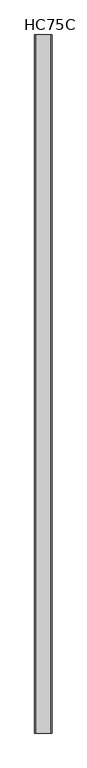
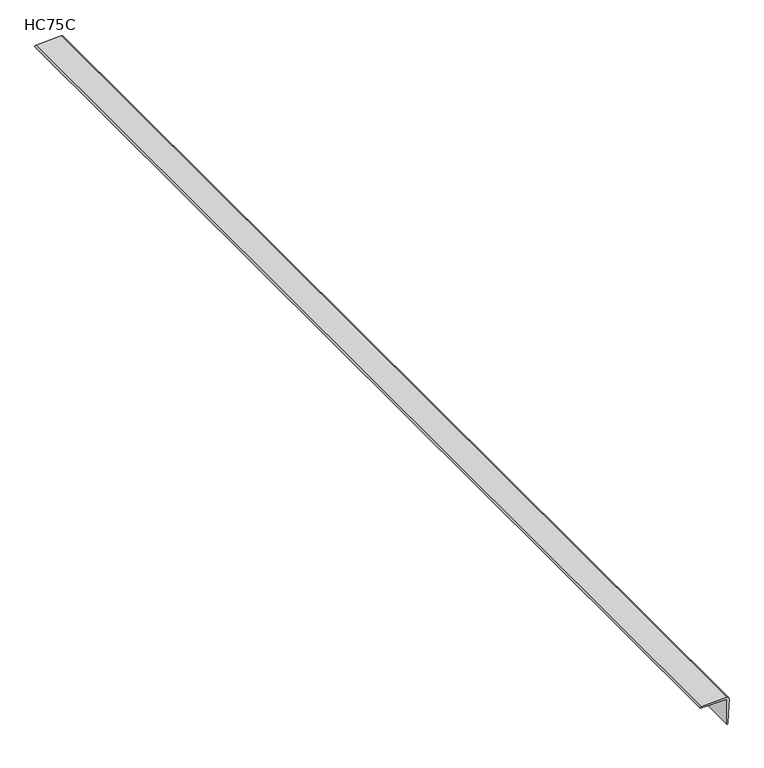
"""IFC4 building model written with IfcOpenShell, lengths in millimetres: proxy geometry, HC75C."""

from ifc_helpers import new_model, si_unit, frame, origin, place, context, project, spatial, circle_curve, source, transform, mapped, element, save
from ifc_brep_helpers import plane_surface, cylinder_surface, advanced_brep


def hc75c_8e5fd0ff(model_context):
    return source(origin(), model_context, "Body", "AdvancedBrep", [
        advanced_brep(
        [(-69.0088536, 1879.6, 0.0), (-66.151125, 1879.6, 2.9847388), (-0.2751887, 1879.6, 5.9906459), (5.9844503, 1879.6, -0.2832115), (2.9847388, 1879.6, -66.151125), (0.0, 1879.6, -69.0300033), (0.0, 1879.6, 0.0), (-69.0088536, -1141.4125, 0.0), (0.0, -1141.4125, 0.0), (0.0, -1141.4125, -69.0300033), (2.9816463, -1141.4125, -66.1707722), (5.9906459, -1141.4125, -0.2751887), (-0.2832113, -1141.4125, 5.9844501), (-66.151125, -1141.4125, 2.9847388)],
        [
            (0, 1, circle_curve(frame((-66.0182113, 1879.6, -0.00295), z_axis=(0.0, 1.0, 0.0), x_axis=(-0.04444316474589057, 0.0, 0.9990119143971056)), 2.9906437)),
            (1, 2),
            (2, 3, circle_curve(frame((-0.0105844, 1879.6, -0.0105845), z_axis=(0.0, 1.0, 0.0), x_axis=(0.0, 0.0, -1.0)), 6.0012304)),
            (3, 4),
            (4, 5, circle_curve(frame((-0.0105842, 1879.6, -66.034699), z_axis=(0.0, 1.0, 0.0), x_axis=(0.0, 0.0, -1.0)), 2.9953229)),
            (5, 6),
            (6, 0),
            (7, 8),
            (8, 9),
            (9, 10, circle_curve(frame((-0.0105842, -1141.4125, -66.034699), z_axis=(0.0, -1.0, 0.0), x_axis=(0.0, 0.0, -1.0)), 2.9953229)),
            (10, 11),
            (11, 12, circle_curve(frame((-0.0105844, -1141.4125, -0.0105845), z_axis=(0.0, -1.0, 0.0), x_axis=(0.0, 0.0, -1.0)), 6.0012304)),
            (12, 13),
            (13, 7, circle_curve(frame((-66.0182113, -1141.4125, -0.00295), z_axis=(0.0, -1.0, 0.0), x_axis=(-0.04444316474589057, 0.0, 0.9990119143971056)), 2.9906437)),
            (0, 7),
            (13, 1),
            (12, 2),
            (11, 3),
            (10, 4),
            (9, 5),
            (8, 6),
        ],
        [
            plane_surface(frame((0.0, 1879.6, 0.0), z_axis=(0.0, 1.0, 0.0), x_axis=(0.0, 0.0, 1.0))),
            plane_surface(frame((0.0, -1141.4125, 0.0), z_axis=(0.0, -1.0, 0.0), x_axis=(0.0, 0.0, 1.0))),
            cylinder_surface(frame((-66.0182113, 1879.6, -0.00295), z_axis=(0.0, 1.0000000000000002, 0.0), x_axis=(-0.04444316474589057, 0.0, 0.9990119143971056)), 2.9906437),
            plane_surface(frame((-66.151125, 1879.6, 2.9847388), z_axis=(-0.04558239162216346, 0.0, 0.9989605825927287), x_axis=(0.0, -1.0, 0.0))),
            cylinder_surface(frame((-0.0105844, 1879.6, -0.0105845), z_axis=(0.0, 1.0, 0.0), x_axis=(0.0, 0.0, -1.0)), 6.0012304),
            plane_surface(frame((5.9906459, 1879.6, -0.2751887), z_axis=(0.9989605825927288, 0.0, -0.045582391622159886), x_axis=(0.0, -1.0, 0.0))),
            cylinder_surface(frame((-0.0105842, 1879.6, -66.034699), z_axis=(0.0, 1.0, 0.0), x_axis=(0.0, 0.0, -1.0)), 2.9953229),
            plane_surface(frame((0.0, 1879.6, -69.0300033), z_axis=(-1.0, 0.0, 0.0), x_axis=(0.0, -1.0, 0.0))),
            plane_surface(frame((0.0, 1879.6, 0.0), z_axis=(0.0, 0.0, -1.0), x_axis=(0.0, -1.0, 0.0))),
        ],
        [
            (0, [[1, 2, 3, 4, 5, 6, 7]]),
            (1, [[8, 9, 10, 11, 12, 13, 14]]),
            (2, [[-1, 15, -14, 16]]),
            (3, [[-2, -16, -13, 17]]),
            (4, [[-3, -17, -12, 18]]),
            (5, [[-4, -18, -11, 19]]),
            (6, [[-5, -19, -10, 20]]),
            (7, [[-6, -20, -9, 21]]),
            (8, [[-7, -21, -8, -15]]),
        ],
    ),
    ])


if __name__ == "__main__":
    model = new_model("IFC4")
    model_context = context("Model", 3, world=origin())
    ifc_project = project(units=[si_unit("LENGTHUNIT", "METRE", prefix="MILLI")], contexts=[model_context])
    site = spatial("IfcSite", under=ifc_project)
    building = spatial("IfcBuilding", under=site)
    placement = place(None, origin())
    hc75c_shape = hc75c_8e5fd0ff(model_context)
    element("IfcBuildingElementProxy", 1, Name="HC75C", ObjectType="HC75C", at=placement, inside=building, context=model_context, shape_type="MappedRepresentation", body=[
        mapped(hc75c_shape, transform((0.0, 0.0, 0.0), x_axis=(1.0, 0.0, 0.0), y_axis=(0.0, 1.0, 0.0), z_axis=(0.0, 0.0, 1.0))),
    ])
    save(model, "model.ifc")
